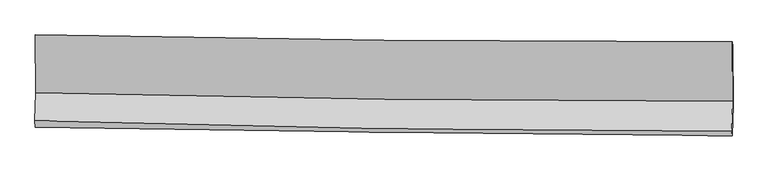
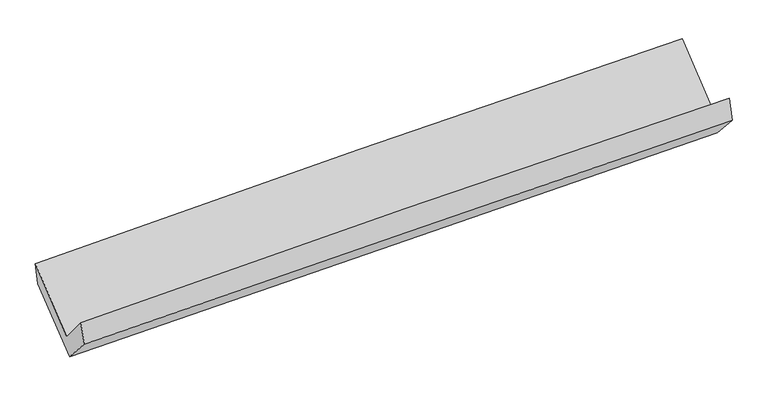
"""IFC4 building model written with IfcOpenShell, lengths in millimetres: proxy geometry."""

import ifcopenshell
import ifcopenshell.guid

model = None  # the IFC model being written
_history = None  # IfcOwnerHistory: only IFC2X3 demands one
_inside = {}  # id of a spatial element -> (the spatial element, [elements in it])
_under = {}  # id of a project, library or spatial element -> (it, [spatial elements below it])
_declared = {}  # id of a project -> (the project, [libraries it declares])
_typed = {}  # id of a type object -> (the type object, [elements of that type])
_made_of = {}  # id of a material, layer set ... -> (it, [elements and type objects made of it])


def new_model(schema):
    """Start an empty IFC model of exactly this schema.

    Asked for "IFC4X3", IfcOpenShell would pick the latest addendum, in which some entities
    have other attributes; the version numbers below select the first issue.
    IFC2X3 requires an IfcOwnerHistory on every rooted entity: one is made here for all.
    """
    global model, _history
    if schema == "IFC4X3":
        model = ifcopenshell.file(schema_version=(4, 3, 0, 0))
    else:
        model = ifcopenshell.file(schema=schema)
    _inside.clear()
    _under.clear()
    _declared.clear()
    _typed.clear()
    _made_of.clear()
    _history = None
    if model.schema == "IFC2X3":
        org = make("IfcOrganization", Name="unknown")
        user = make(
            "IfcPersonAndOrganization",
            ThePerson=make("IfcPerson", FamilyName="unknown"),
            TheOrganization=org,
        )
        app = make(
            "IfcApplication",
            ApplicationDeveloper=org,
            Version="unknown",
            ApplicationFullName="unknown",
            ApplicationIdentifier="unknown",
        )
        _history = make(
            "IfcOwnerHistory",
            OwningUser=user,
            OwningApplication=app,
            ChangeAction="ADDED",
            CreationDate=0,
        )
    return model


def make(cls, **values):
    """One entity of the class cls with the attributes given. An attribute that is None is left unset."""
    return model.create_entity(
        cls, **{name: value for name, value in values.items() if value is not None}
    )


def rooted(cls, **values):
    """An entity with a GlobalId (a new one), such as an element, a storey or a relation."""
    return make(cls, GlobalId=ifcopenshell.guid.new(), OwnerHistory=_history, **values)


def si_unit(unit_type, name, prefix=None):
    """IfcSIUnit, for example si_unit("LENGTHUNIT", "METRE", prefix="MILLI")."""
    return make("IfcSIUnit", UnitType=unit_type, Prefix=prefix, Name=name)


def assignment(units):
    """IfcUnitAssignment: the units of a project."""
    return None if units is None else make("IfcUnitAssignment", Units=units)


def point(xyz):
    """IfcCartesianPoint."""
    return None if xyz is None else make("IfcCartesianPoint", Coordinates=xyz)


def direction(xyz):
    """IfcDirection."""
    return None if xyz is None else make("IfcDirection", DirectionRatios=xyz)


def frame(location, z_axis=None, x_axis=None):
    """IfcAxis2Placement3D, a coordinate frame: its origin and axes. An axis left out is left unset."""
    return make(
        "IfcAxis2Placement3D",
        Location=point(location),
        Axis=direction(z_axis),
        RefDirection=direction(x_axis),
    )


def origin():
    """The frame at (0, 0, 0) with its axes left unset."""
    return frame((0.0, 0.0, 0.0))


def place(relative_to, where):
    """IfcLocalPlacement: puts the frame where relative to a parent placement (None: the world)."""
    return make(
        "IfcLocalPlacement", PlacementRelTo=relative_to, RelativePlacement=where
    )


def context(
    kind, dimensions, precision=None, world=None, true_north=None, identifier=None
):
    """IfcGeometricRepresentationContext, for example the 3D "Model" context."""
    return make(
        "IfcGeometricRepresentationContext",
        ContextIdentifier=identifier,
        ContextType=kind,
        CoordinateSpaceDimension=dimensions,
        Precision=precision,
        WorldCoordinateSystem=world,
        TrueNorth=true_north,
    )


def project(units=None, contexts=None):
    """IfcProject with its units and contexts."""
    return rooted(
        "IfcProject",
        Name="project",
        RepresentationContexts=contexts,
        UnitsInContext=assignment(units),
    )


def spatial(cls, under=None, at=None, **own):
    """A site, building, storey or space (cls), placed at a placement, below another one or the project."""
    s = rooted(cls, ObjectPlacement=at, **own)
    if under is not None:
        _under.setdefault(under.id(), (under, []))[1].append(s)
    return s


def shape(context_of_items, identifier, shape_type, items):
    """IfcShapeRepresentation: the items that make up one representation, for example the "Body"."""
    return make(
        "IfcShapeRepresentation",
        ContextOfItems=context_of_items,
        RepresentationIdentifier=identifier,
        RepresentationType=shape_type,
        Items=items,
    )


def source(mapping_origin, context_of_items, identifier, shape_type, items):
    """IfcRepresentationMap: a shape defined once, which mapped items show again and again."""
    return make(
        "IfcRepresentationMap",
        MappingOrigin=mapping_origin,
        MappedRepresentation=shape(context_of_items, identifier, shape_type, items),
    )


def transform(
    local_origin,
    x_axis=None,
    y_axis=None,
    z_axis=None,
    scale=None,
    scale2=None,
    scale3=None,
    uniform=True,
):
    """IfcCartesianTransformationOperator3D, or its non-uniform kind. x_axis, y_axis, z_axis: its Axis1, 2, 3."""
    if uniform:
        return make(
            "IfcCartesianTransformationOperator3D",
            Axis1=direction(x_axis),
            Axis2=direction(y_axis),
            LocalOrigin=point(local_origin),
            Scale=scale,
            Axis3=direction(z_axis),
        )
    return make(
        "IfcCartesianTransformationOperator3DnonUniform",
        Axis1=direction(x_axis),
        Axis2=direction(y_axis),
        LocalOrigin=point(local_origin),
        Scale=scale,
        Axis3=direction(z_axis),
        Scale2=scale2,
        Scale3=scale3,
    )


def mapped(mapping_source, mapping_target):
    """IfcMappedItem: shows the shape of a source again, moved by a transform."""
    return make(
        "IfcMappedItem", MappingSource=mapping_source, MappingTarget=mapping_target
    )


def made_of(thing, what):
    """Note that an element or type object is made of a material, layer set ...; save() writes the relation."""
    if what is not None:
        _made_of.setdefault(what.id(), (what, []))[1].append(thing)
    return thing


def element(
    cls,
    number,
    at=None,
    inside=None,
    cuts=None,
    type_object=None,
    material=None,
    context=None,
    identifier="Body",
    shape_type=None,
    held_by="IfcProductDefinitionShape",
    body=None,
    shapes=None,
    **own,
):
    """One element of the class cls, such as IfcWall. Its Tag is "e" and its number.

    at: its placement. inside: the storey or other place that contains it. cuts: it is an
    opening in that element (IfcRelVoidsElement). A single representation is given by context,
    identifier, shape_type and body (its items); several are given by shapes. held_by: the class
    of the entity that holds the representations. save() writes the other relations.
    """
    e = rooted(cls, Tag="e%d" % number, ObjectPlacement=at, **own)
    if body is not None:
        shapes = [shape(context, identifier, shape_type, body)]
    if shapes is not None:
        e.Representation = make(held_by, Representations=shapes)
    if inside is not None:
        _inside.setdefault(inside.id(), (inside, []))[1].append(e)
    if cuts is not None:
        rooted(
            "IfcRelVoidsElement", RelatingBuildingElement=cuts, RelatedOpeningElement=e
        )
    if type_object is not None:
        _typed.setdefault(type_object.id(), (type_object, []))[1].append(e)
    return made_of(e, material)


def aggregate(whole, parts):
    """IfcRelAggregates: a whole, such as a stair, and the parts it consists of."""
    return rooted("IfcRelAggregates", RelatingObject=whole, RelatedObjects=parts)


def save(model, path):
    """Write the relations noted so far, then the file.

    IfcRelAggregates (storeys below a building ...), IfcRelContainedInSpatialStructure (elements
    in a storey), IfcRelDefinesByType, IfcRelAssociatesMaterial and IfcRelDeclares: one each for
    every whole, place, type object, material and project.
    """
    for whole, parts in _under.values():
        aggregate(whole, parts)
    for where, things in _inside.values():
        rooted(
            "IfcRelContainedInSpatialStructure",
            RelatedElements=things,
            RelatingStructure=where,
        )
    for kind, things in _typed.values():
        rooted("IfcRelDefinesByType", RelatedObjects=things, RelatingType=kind)
    for what, things in _made_of.values():
        rooted("IfcRelAssociatesMaterial", RelatedObjects=things, RelatingMaterial=what)
    for by, libraries in _declared.values():
        rooted("IfcRelDeclares", RelatingContext=by, RelatedDefinitions=libraries)
    model.write(path)


def plane_surface(at):
    """IfcPlane: the flat surface through the origin of the frame at, square to its z axis."""
    return make("IfcPlane", Position=at)


def spline_curve(degree, points, multiplicities, knots, weights=None):
    """IfcBSplineCurveWithKnots; with weights, IfcRationalBSplineCurveWithKnots."""
    own = dict(
        Degree=degree,
        ControlPointsList=[point(p) for p in points],
        CurveForm="UNSPECIFIED",
        ClosedCurve=False,
        SelfIntersect=False,
        KnotMultiplicities=multiplicities,
        Knots=knots,
        KnotSpec="UNSPECIFIED",
    )
    if weights is None:
        return make("IfcBSplineCurveWithKnots", **own)
    return make("IfcRationalBSplineCurveWithKnots", WeightsData=weights, **own)


def spline_surface(u_degree, v_degree, points, u_multiplicities, v_multiplicities, u_knots, v_knots, weights=None):
    """IfcBSplineSurfaceWithKnots; with weights, IfcRationalBSplineSurfaceWithKnots. points: one row for each step in u."""
    own = dict(
        UDegree=u_degree,
        VDegree=v_degree,
        ControlPointsList=[[point(p) for p in row] for row in points],
        SurfaceForm="UNSPECIFIED",
        UClosed=False,
        VClosed=False,
        SelfIntersect=False,
        UMultiplicities=u_multiplicities,
        VMultiplicities=v_multiplicities,
        UKnots=u_knots,
        VKnots=v_knots,
        KnotSpec="UNSPECIFIED",
    )
    if weights is None:
        return make("IfcBSplineSurfaceWithKnots", **own)
    return make("IfcRationalBSplineSurfaceWithKnots", WeightsData=weights, **own)


def advanced_brep(points, edges, surfaces, faces):
    """IfcAdvancedBrep: a solid bounded by faces that lie on surfaces and meet in shared edges.

    An edge is (start, end): straight between two places in points (the first is 0);
    or (start, end, curve); or (start, end, curve, False) where it runs against its curve.
    A face is (place in surfaces, loops), or (place, loops, False) where it looks against
    its surface's normal. A loop lists edges by number (the first is 1), with a minus sign
    where the edge is run from its end to its start. The first loop is the outer one.
    """
    corners = [point(p) for p in points]
    vertices = [make("IfcVertexPoint", VertexGeometry=c) for c in corners]
    made = []
    for start, end, *more in edges:
        made.append(
            make(
                "IfcEdgeCurve",
                EdgeStart=vertices[start],
                EdgeEnd=vertices[end],
                EdgeGeometry=more[0] if more else make("IfcPolyline", Points=[corners[start], corners[end]]),
                SameSense=more[1] if len(more) > 1 else True,
            )
        )
    hull = []
    for where, loops, *sense in faces:
        bounds = []
        for j, loop in enumerate(loops):
            ring = [make("IfcOrientedEdge", EdgeElement=made[abs(k) - 1], Orientation=k > 0) for k in loop]
            bounds.append(
                make(
                    "IfcFaceOuterBound" if j == 0 else "IfcFaceBound",
                    Bound=make("IfcEdgeLoop", EdgeList=ring),
                    Orientation=True,
                )
            )
        hull.append(make("IfcAdvancedFace", Bounds=bounds, FaceSurface=surfaces[where], SameSense=sense[0] if sense else True))
    return make("IfcAdvancedBrep", Outer=make("IfcClosedShell", CfsFaces=hull))


def generic_models_6e84ca80(model_context):
    return source(origin(), model_context, "Body", "AdvancedBrep", [
        advanced_brep(
        [(-3028.8272786, -1174.2533526, 2155.4545586), (-3025.091308, -1675.8590419, 1734.2024226), (3015.8587101, -1748.2065571, 1879.8062146), (3012.037188, -1235.1143917, 2310.7047774), (-3033.8463279, -1920.2689597, 2025.1557172), (3006.5303838, -2008.6212096, 2189.8120515), (-3030.4876811, -1972.6151213, 1841.8965632), (3010.2065755, -2047.9800788, 1998.0214433), (-3021.9529642, -1721.8332138, 1564.4045822), (3018.9848894, -1790.0403809, 1712.6093156), (-3025.2007117, -1202.4512244, 1971.4650586), (3015.7354374, -1270.3858104, 2119.8834249)],
        [
            (0, 1),
            (1, 2, spline_curve(3, [(-3025.091308, -1675.8590419, 1734.2024226), (-2018.885470813, -1700.781444147, 1779.53580449), (-1012.352170387, -1719.271590228, 1814.336201737), (1001.297882077, -1743.386515618, 1862.86930379), (2008.414587909, -1749.01220768, 1876.603504021), (3015.8587101, -1748.2065571, 1879.8062146)], [4, 2, 4], [0.0, 9.914520136631898, 19.82833647038027])),
            (2, 3),
            (3, 0, spline_curve(3, [(3012.037188, -1235.1143917, 2310.7047774), (2004.597819484, -1236.558293115, 2306.966059157), (997.490619457, -1232.208876175, 2292.160033622), (-1016.130916555, -1211.92268557, 2240.411532175), (-2022.645205527, -1195.985089424, 2203.467484639), (-3028.8272786, -1174.2533526, 2155.4545586)], [4, 2, 4], [0.0, 9.91381633374837, 19.82833647038027])),
            (1, 4),
            (4, 5, spline_curve(3, [(-3033.8463279, -1920.2689597, 2025.1557172), (-2027.850930379, -1951.066108629, 2077.482583569), (-1021.470624886, -1973.827346488, 2117.367423045), (991.988333558, -2003.276955604, 2172.25110167), (1999.066932052, -2009.966467413, 2187.251706444), (3006.5303838, -2008.6212096, 2189.8120515)], [4, 2, 4], [0.0, 9.914760236745956, 19.828816653564378])),
            (5, 2),
            (4, 6),
            (6, 7, spline_curve(3, [(-3030.4876811, -1972.6151213, 1841.8965632), (-2023.911001296, -1991.290376478, 1872.89275792), (-1017.213601151, -2006.908531655, 1901.401635798), (996.351167868, -2032.029750472, 1953.442909208), (2003.218520277, -2041.53324758, 1976.975658222), (3010.2065755, -2047.9800788, 1998.0214433)], [4, 2, 4], [0.0, 9.91425696773177, 19.827810151261605])),
            (7, 5),
            (6, 8),
            (8, 9, spline_curve(3, [(-3021.9529642, -1721.8332138, 1564.4045822), (-2015.186026374, -1734.917978203, 1589.214858637), (-1008.373199697, -1747.144462162, 1613.970827573), (1005.272758132, -1769.880062642, 1663.372397928), (2012.10588252, -1780.38930104, 1688.018006372), (3018.9848894, -1790.0403809, 1712.6093156)], [4, 2, 4], [0.0, 9.913701188675658, 19.82669863260252])),
            (9, 7),
            (8, 10),
            (10, 11, spline_curve(3, [(-3025.2007117, -1202.4512244, 1971.4650586), (-2018.44992192, -1212.953581275, 1998.299271053), (-1011.64531114, -1223.866190661, 2024.084976667), (1002.000079795, -1246.511111162, 2073.557616311), (2008.840851816, -1258.243363506, 2097.244699824), (3015.7354374, -1270.3858104, 2119.8834249)], [4, 2, 4], [0.0, 9.913642485900702, 19.826581231219745])),
            (11, 9),
            (10, 0),
            (3, 11),
        ],
        [
            spline_surface(3, 3, [[(-3028.8272786, -1174.2533526, 2155.4545586), (-2022.645205474, -1195.985089568, 2203.467484608), (-1016.130916563, -1211.922685638, 2240.411532145), (997.490619464, -1232.208876108, 2292.160033652), (2004.597819428, -1236.55829302, 2306.966059022), (3012.037188, -1235.1143917, 2310.7047774)], [(-3027.581955078, -1341.455249036, 2015.037179932), (-2021.39196057, -1364.250541047, 2062.156924616), (-1014.871334508, -1381.038987192, 2098.386422021), (998.75970702, -1402.601422577, 2149.06312369), (2005.870075559, -1407.376264527, 2163.511873994), (3013.3110287, -1406.145113475, 2167.071923137)], [(-3026.336631522, -1508.657145464, 1874.619801268), (-2020.138715632, -1532.515992517, 1920.846364629), (-1013.611752475, -1550.155288761, 1956.361311891), (1000.028794554, -1572.993969061, 2005.966213723), (2007.14233169, -1578.19423611, 2020.057688955), (3014.5848694, -1577.175835325, 2023.439068863)], [(-3025.091308, -1675.8590419, 1734.2024226), (-2018.885470728, -1700.781443996, 1779.535804637), (-1012.35217042, -1719.271590315, 1814.336201767), (1001.29788211, -1743.386515531, 1862.86930376), (2008.414587821, -1749.012207617, 1876.603503926), (3015.8587101, -1748.2065571, 1879.8062146)]], [4, 4], [4, 2, 4], [0.0, 2.181884346358752], [0.0, 9.914520136631898, 19.82833647038027]),
            spline_surface(3, 3, [[(-3025.091308, -1675.8590419, 1734.2024226), (-2018.885470728, -1700.781443996, 1779.535804637), (-1012.35217042, -1719.271590315, 1814.336201767), (1001.29788211, -1743.386515531, 1862.86930376), (2008.414587821, -1749.012207617, 1876.603503926), (3015.8587101, -1748.2065571, 1879.8062146)], [(-3028.009647981, -1757.329014521, 1831.186854132), (-2021.873957241, -1784.20966551, 1878.851397572), (-1015.391655263, -1804.123509044, 1915.346608886), (998.194699274, -1830.016662224, 1965.996569675), (2005.298702603, -1835.996960947, 1980.152904795), (3012.749267984, -1835.011441282, 1983.141493547)], [(-3030.927987919, -1838.798987079, 1928.171285668), (-2024.862443711, -1867.637886959, 1978.166990509), (-1018.431140097, -1888.975427763, 2016.357016047), (995.091516447, -1916.646808906, 2069.123835633), (2002.182817434, -1922.981714233, 2083.702305724), (3009.639825916, -1921.816325418, 2086.476772553)], [(-3033.8463279, -1920.2689597, 2025.1557172), (-2027.850930224, -1951.066108472, 2077.482583443), (-1021.470624939, -1973.827346493, 2117.367423166), (991.988333611, -2003.276955599, 2172.251101549), (1999.066932216, -2009.966467563, 2187.251706593), (3006.5303838, -2008.6212096, 2189.8120515)]], [4, 4], [4, 2, 4], [0.0, 1.3123802934553446], [0.0, 9.914760236745956, 19.828816653564378]),
            spline_surface(3, 3, [[(-3033.8463279, -1920.2689597, 2025.1557172), (-2027.850930224, -1951.066108472, 2077.482583443), (-1021.470624939, -1973.827346493, 2117.367423166), (991.988333611, -2003.276955599, 2172.251101549), (1999.066932216, -2009.966467563, 2187.251706593), (3006.5303838, -2008.6212096, 2189.8120515)], [(-3032.72677896, -1937.717680218, 1964.069332564), (-2026.537620586, -1964.474197842, 2009.285975012), (-1020.051617075, -1984.854408268, 2045.378827361), (993.442611736, -2012.861220506, 2099.315037466), (2000.450794876, -2020.488727584, 2117.159690519), (3007.755781028, -2021.740832677, 2125.88184877)], [(-3031.60723004, -1955.166400782, 1902.982947836), (-2025.22431097, -1977.882287256, 1941.089366489), (-1018.632609172, -1995.881470037, 1973.390231533), (994.8968899, -2022.445485408, 2026.37897336), (2001.834657552, -2031.010987574, 2047.067674438), (3008.981178272, -2034.860455723, 2061.95164603)], [(-3030.4876811, -1972.6151213, 1841.8965632), (-2023.911001332, -1991.290376625, 1872.892758058), (-1017.213601308, -2006.908531812, 1901.401635728), (996.351168024, -2032.029750315, 1953.442909277), (2003.218520213, -2041.533247595, 1976.975658364), (3010.2065755, -2047.9800788, 1998.0214433)]], [4, 4], [4, 2, 4], [0.0, 0.7205273039983217], [0.0, 9.91425696773177, 19.827810151261605]),
            spline_surface(3, 3, [[(-3030.4876811, -1972.6151213, 1841.8965632), (-2023.911001332, -1991.290376625, 1872.892758058), (-1017.213601308, -2006.908531812, 1901.401635728), (996.351168024, -2032.029750315, 1953.442909277), (2003.218520213, -2041.533247595, 1976.975658364), (3010.2065755, -2047.9800788, 1998.0214433)], [(-3027.642775456, -1889.021152152, 1749.399236168), (-2021.002676363, -1905.832910473, 1778.333458212), (-1014.266800738, -1920.320508603, 1805.59136638), (999.325031384, -1944.64652111, 1856.752738786), (2006.180974303, -1954.485265397, 1880.656441094), (3013.132680137, -1962.000179501, 1902.884067426)], [(-3024.797869844, -1805.427182948, 1656.901909232), (-2018.094351425, -1820.375444264, 1683.774158461), (-1011.320000203, -1833.732485354, 1709.781097039), (1002.298894708, -1857.263291866, 1760.062568301), (2009.143428382, -1867.437283195, 1784.337223745), (3016.058784763, -1876.020280199, 1807.746691474)], [(-3021.9529642, -1721.8332138, 1564.4045822), (-2015.186026456, -1734.917978112, 1589.214858614), (-1008.373199633, -1747.144462144, 1613.970827691), (1005.272758068, -1769.88006266, 1663.37239781), (2012.105882472, -1780.389300997, 1688.018006475), (3018.9848894, -1790.0403809, 1712.6093156)]], [4, 4], [4, 2, 4], [0.0, 1.2772297901562195], [0.0, 9.913701188675658, 19.82669863260252]),
            spline_surface(3, 3, [[(-3021.9529642, -1721.8332138, 1564.4045822), (-2015.186026456, -1734.917978112, 1589.214858614), (-1008.373199633, -1747.144462144, 1613.970827691), (1005.272758068, -1769.88006266, 1663.37239781), (2012.105882472, -1780.389300997, 1688.018006475), (3018.9848894, -1790.0403809, 1712.6093156)], [(-3023.035546718, -1548.705884004, 1700.091407697), (-2016.273991657, -1560.929845846, 1725.576329499), (-1009.463903432, -1572.718371684, 1750.675543961), (1004.181865259, -1595.423745435, 1800.100804007), (2011.017538873, -1606.340655171, 1824.426904261), (3017.901738723, -1616.822190719, 1848.367352022)], [(-3024.118129182, -1375.578554196, 1835.778233103), (-2017.361956806, -1386.941713567, 1861.937800293), (-1010.554607209, -1398.29228126, 1887.38026027), (1003.090972471, -1420.967428248, 1936.829210242), (2009.929195305, -1432.29200939, 1960.835802082), (3016.818588077, -1443.604000581, 1984.125388478)], [(-3025.2007117, -1202.4512244, 1971.4650586), (-2018.449922007, -1212.953581301, 1998.299271178), (-1011.645311007, -1223.8661908, 2024.08497654), (1002.000079662, -1246.511111023, 2073.557616438), (2008.840851706, -1258.243363564, 2097.244699868), (3015.7354374, -1270.3858104, 2119.8834249)]], [4, 4], [4, 2, 4], [0.0, 2.1814527950313254], [0.0, 9.913642485900702, 19.826581231219745]),
            spline_surface(3, 3, [[(-3025.2007117, -1202.4512244, 1971.4650586), (-2018.449922007, -1212.953581301, 1998.299271178), (-1011.645311007, -1223.8661908, 2024.08497654), (1002.000079662, -1246.511111023, 2073.557616438), (2008.840851706, -1258.243363564, 2097.244699868), (3015.7354374, -1270.3858104, 2119.8834249)], [(-3026.409567308, -1193.051933768, 2032.794891907), (-2019.848349804, -1207.297417358, 2066.688675628), (-1013.140512855, -1219.885022412, 2096.193828428), (1000.496926266, -1241.743699384, 2146.425088862), (2007.42650764, -1251.01500673, 2167.151819585), (3014.502687627, -1258.628670847, 2183.490542399)], [(-3027.618422992, -1183.652643232, 2094.124725293), (-2021.246777678, -1201.641253512, 2135.078080158), (-1014.635714714, -1215.903854026, 2168.302680257), (998.99377286, -1236.976287747, 2219.292561228), (2006.012163493, -1243.786649854, 2237.058939305), (3013.269937773, -1246.871531253, 2247.097659901)], [(-3028.8272786, -1174.2533526, 2155.4545586), (-2022.645205474, -1195.985089568, 2203.467484608), (-1016.130916563, -1211.922685638, 2240.411532145), (997.490619464, -1232.208876108, 2292.160033652), (2004.597819428, -1236.55829302, 2306.966059022), (3012.037188, -1235.1143917, 2310.7047774)]], [4, 4], [4, 2, 4], [0.0, 0.714916039697418], [0.0, 9.913905924702826, 19.82710809012324]),
            plane_surface(frame((3013.2255307, -1683.3914048, 2035.1395379), z_axis=(0.9997184083799494, -0.010447265084941815, 0.021306304196311247), x_axis=(-0.004921584246465227, 0.7870630875161234, 0.616852878957448))),
            plane_surface(frame((-3027.5677119, -1611.2134856, 1882.0964837), z_axis=(-0.9997184083799407, 0.01044726508528043, -0.021306304196552373), x_axis=(0.01947954679471748, -0.1514605388531494, -0.9882713455458405))),
        ],
        [
            (0, [[1, 2, 3, 4]]),
            (1, [[5, 6, 7, -2]]),
            (2, [[8, 9, 10, -6]]),
            (3, [[11, 12, 13, -9]]),
            (4, [[14, 15, 16, -12]]),
            (5, [[17, -4, 18, -15]]),
            (6, [[-16, -18, -3, -7, -10, -13]]),
            (7, [[-17, -14, -11, -8, -5, -1]]),
        ],
    ),
    ])


if __name__ == "__main__":
    model = new_model("IFC4")
    model_context = context("Model", 3, world=origin())
    ifc_project = project(units=[si_unit("LENGTHUNIT", "METRE", prefix="MILLI")], contexts=[model_context])
    site = spatial("IfcSite", under=ifc_project)
    building = spatial("IfcBuilding", under=site)
    placement = place(None, origin())
    generic_models_shape = generic_models_6e84ca80(model_context)
    element("IfcBuildingElementProxy", 1, Name="Generic Models", at=placement, inside=building, context=model_context, shape_type="MappedRepresentation", body=[
        mapped(generic_models_shape, transform((0.0, 0.0, 0.0), x_axis=(1.0, 0.0, 0.0), y_axis=(0.0, 1.0, 0.0), z_axis=(0.0, 0.0, 1.0))),
    ])
    save(model, "model.ifc")
